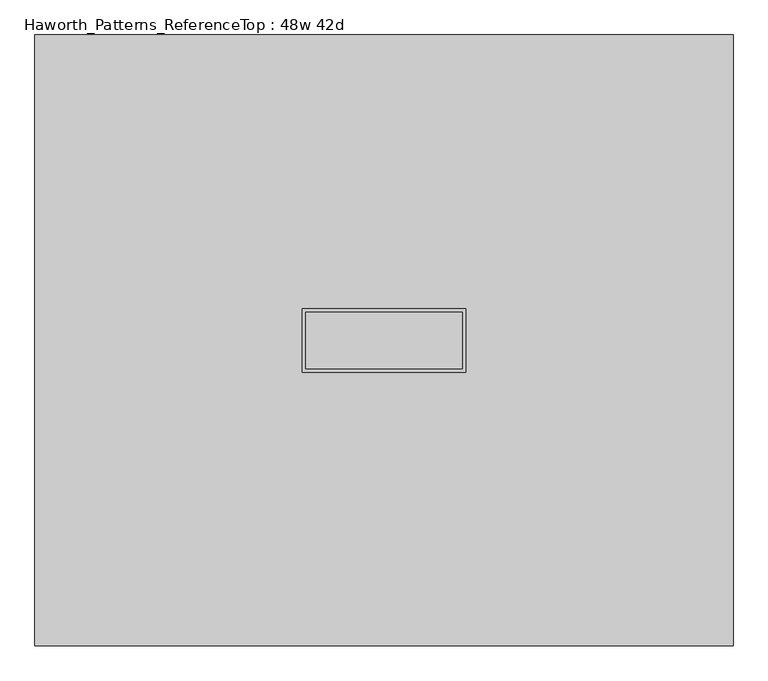
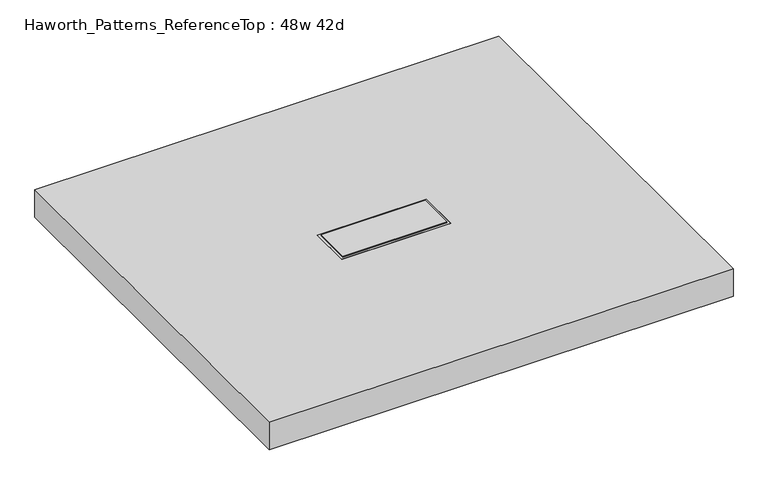
"""IFC4 building model written with IfcOpenShell, lengths in millimetres: furniture geometry, Haworth_Patterns_ReferenceTop : 48w 42d."""

from ifc_helpers import new_model, si_unit, origin, place, context, project, spatial, faceted_brep, source, transform, mapped, element, save


def haworth_patterns_referencetop_48w_42d_d0c454e9(model_context):
    return source(origin(), model_context, "Body", "Brep", [
        faceted_brep([(136.525, 49.2125, 1209.675), (-136.525, 49.2125, 1209.675), (-136.525, -49.2125, 1209.675), (136.525, -49.2125, 1209.675), (136.525, 49.2125, 1206.5), (-136.525, 49.2125, 1206.5), (-136.525, -49.2125, 1206.5), (136.525, -49.2125, 1206.5), (142.875, 55.5625, 1136.65), (142.875, -55.5625, 1136.65), (-142.875, -55.5625, 1136.65), (-142.875, 55.5625, 1136.65), (142.875, 55.5625, 1206.5), (-142.875, 55.5625, 1206.5), (-142.875, -55.5625, 1206.5), (142.875, -55.5625, 1206.5)], [[[0, 1, 2, 3]], [[1, 0, 4, 5]], [[2, 1, 5, 6]], [[3, 2, 6, 7]], [[0, 3, 7, 4]], [[8, 9, 10, 11]], [[12, 13, 14, 15], [5, 4, 7, 6]], [[8, 11, 13, 12]], [[11, 10, 14, 13]], [[10, 9, 15, 14]], [[9, 8, 12, 15]]]),
        faceted_brep([(609.6, 533.4, 1206.5), (-609.6, 533.4, 1206.5), (-609.6, -533.4, 1206.5), (609.6, -533.4, 1206.5), (-142.875, 55.5625, 1206.5), (142.875, 55.5625, 1206.5), (142.875, -55.5625, 1206.5), (-142.875, -55.5625, 1206.5), (609.6, 533.4, 1130.3), (609.6, -533.4, 1130.3), (-609.6, -533.4, 1130.3), (-609.6, 533.4, 1130.3), (-142.875, 55.5625, 1136.65), (142.875, 55.5625, 1136.65), (-142.875, -55.5625, 1136.65), (142.875, -55.5625, 1136.65)], [[[0, 1, 2, 3], [4, 5, 6, 7]], [[8, 9, 10, 11]], [[1, 0, 8, 11]], [[2, 1, 11, 10]], [[3, 2, 10, 9]], [[0, 3, 9, 8]], [[12, 13, 5, 4]], [[14, 12, 4, 7]], [[15, 14, 7, 6]], [[13, 15, 6, 5]], [[13, 12, 14, 15]]]),
    ])


if __name__ == "__main__":
    model = new_model("IFC4")
    model_context = context("Model", 3, world=origin())
    ifc_project = project(units=[si_unit("LENGTHUNIT", "METRE", prefix="MILLI")], contexts=[model_context])
    site = spatial("IfcSite", under=ifc_project)
    building = spatial("IfcBuilding", under=site)
    placement = place(None, origin())
    haworth_patterns_referencetop_48w_42d_shape = haworth_patterns_referencetop_48w_42d_d0c454e9(model_context)
    element("IfcFurniture", 1, ObjectType="Haworth_Patterns_ReferenceTop : 48w 42d", at=placement, inside=building, context=model_context, shape_type="MappedRepresentation", body=[
        mapped(haworth_patterns_referencetop_48w_42d_shape, transform((0.0, 0.0, 0.0), x_axis=(1.0, 0.0, 0.0), y_axis=(0.0, 1.0, 0.0), z_axis=(0.0, 0.0, 1.0))),
    ])
    save(model, "model.ifc")
